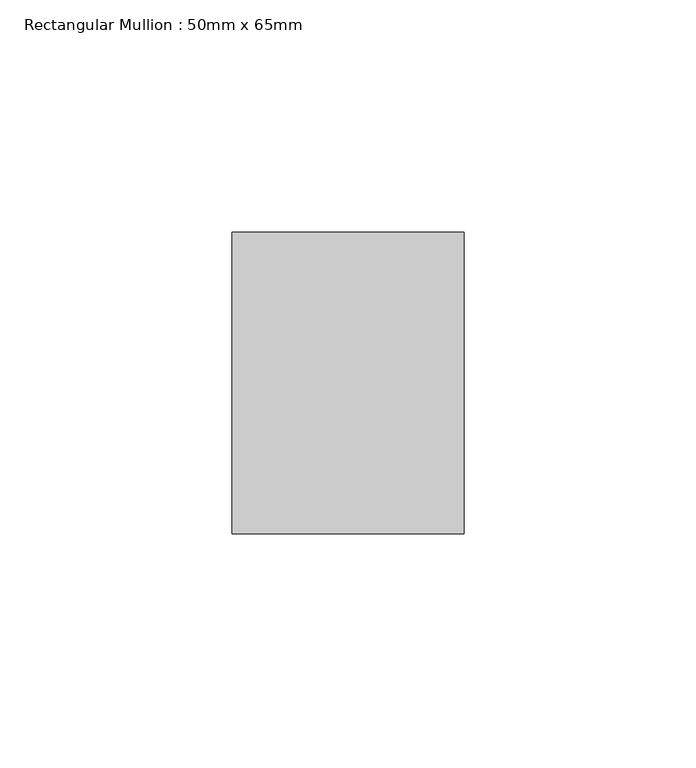
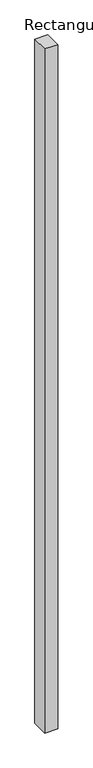
"""IFC4 building model written with IfcOpenShell, lengths in millimetres: member geometry, Rectangular Mullion : 50mm x 65mm."""

from ifc_helpers import new_model, si_unit, frame, origin, place, context, project, spatial, polyline, outline, extrude, source, transform, mapped, element, save


def rectangular_mullion_50mm_x_65mm_21f2ec90(model_context):
    return source(origin(), model_context, "Body", "SweptSolid", [
        extrude(outline(polyline([(25.0, 32.5), (25.0, -32.5), (-25.0, -32.5), (-25.0, 32.5), (25.0, 32.5)])), frame((0.0, 0.0, -2773.8917387), z_axis=(0.0, 0.0, 1.0), x_axis=(1.0, 0.0, 0.0)), (0.0, 0.0, 1.0), 2773.8917387),
    ])


if __name__ == "__main__":
    model = new_model("IFC4")
    model_context = context("Model", 3, world=origin())
    ifc_project = project(units=[si_unit("LENGTHUNIT", "METRE", prefix="MILLI")], contexts=[model_context])
    site = spatial("IfcSite", under=ifc_project)
    building = spatial("IfcBuilding", under=site)
    placement = place(None, origin())
    rectangular_mullion_50mm_x_65mm_shape = rectangular_mullion_50mm_x_65mm_21f2ec90(model_context)
    element("IfcMember", 1, ObjectType="Rectangular Mullion : 50mm x 65mm", at=placement, inside=building, context=model_context, shape_type="MappedRepresentation", body=[
        mapped(rectangular_mullion_50mm_x_65mm_shape, transform((0.0, 0.0, 0.0), x_axis=(1.0, 0.0, 0.0), y_axis=(0.0, 1.0, 0.0), z_axis=(0.0, 0.0, 1.0))),
    ])
    save(model, "model.ifc")
